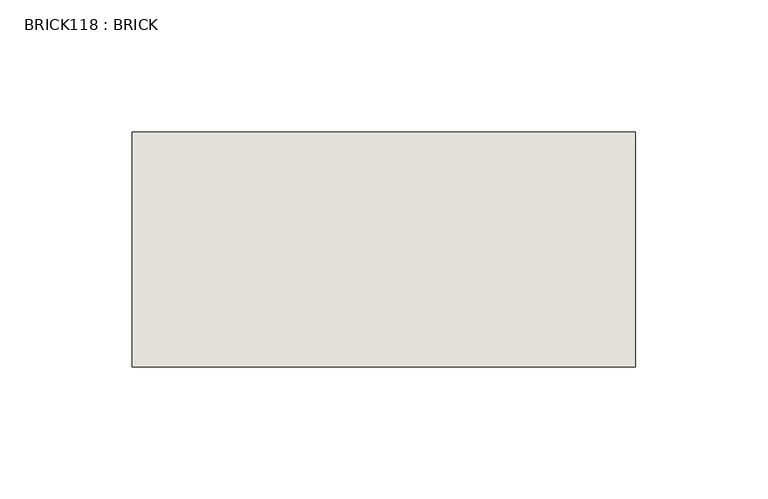
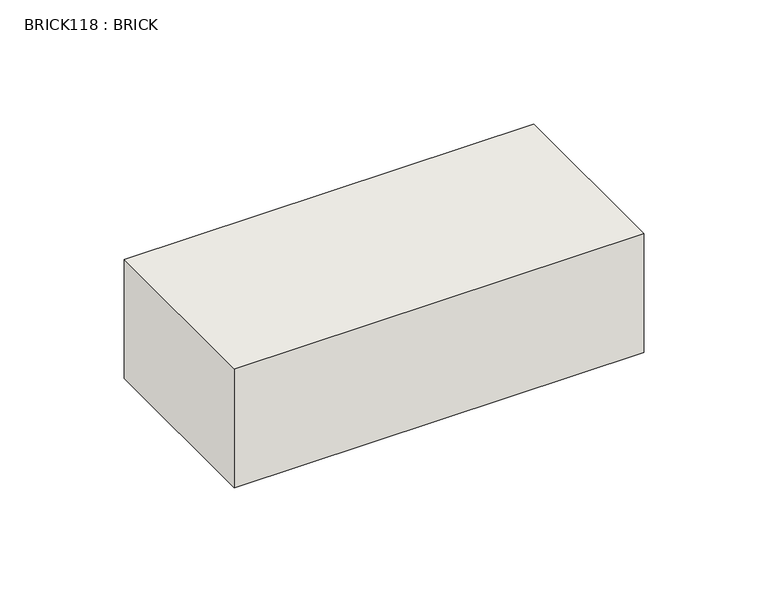
"""IFC4 building model written with IfcOpenShell, lengths in millimetres: wall geometry, BRICK118 : BRICK."""

import ifcopenshell
import ifcopenshell.guid

model = None  # the IFC model being written
_history = None  # IfcOwnerHistory: only IFC2X3 demands one
_inside = {}  # id of a spatial element -> (the spatial element, [elements in it])
_under = {}  # id of a project, library or spatial element -> (it, [spatial elements below it])
_declared = {}  # id of a project -> (the project, [libraries it declares])
_typed = {}  # id of a type object -> (the type object, [elements of that type])
_made_of = {}  # id of a material, layer set ... -> (it, [elements and type objects made of it])


def new_model(schema):
    """Start an empty IFC model of exactly this schema.

    Asked for "IFC4X3", IfcOpenShell would pick the latest addendum, in which some entities
    have other attributes; the version numbers below select the first issue.
    IFC2X3 requires an IfcOwnerHistory on every rooted entity: one is made here for all.
    """
    global model, _history
    if schema == "IFC4X3":
        model = ifcopenshell.file(schema_version=(4, 3, 0, 0))
    else:
        model = ifcopenshell.file(schema=schema)
    _inside.clear()
    _under.clear()
    _declared.clear()
    _typed.clear()
    _made_of.clear()
    _history = None
    if model.schema == "IFC2X3":
        org = make("IfcOrganization", Name="unknown")
        user = make(
            "IfcPersonAndOrganization",
            ThePerson=make("IfcPerson", FamilyName="unknown"),
            TheOrganization=org,
        )
        app = make(
            "IfcApplication",
            ApplicationDeveloper=org,
            Version="unknown",
            ApplicationFullName="unknown",
            ApplicationIdentifier="unknown",
        )
        _history = make(
            "IfcOwnerHistory",
            OwningUser=user,
            OwningApplication=app,
            ChangeAction="ADDED",
            CreationDate=0,
        )
    return model


def make(cls, **values):
    """One entity of the class cls with the attributes given. An attribute that is None is left unset."""
    return model.create_entity(
        cls, **{name: value for name, value in values.items() if value is not None}
    )


def rooted(cls, **values):
    """An entity with a GlobalId (a new one), such as an element, a storey or a relation."""
    return make(cls, GlobalId=ifcopenshell.guid.new(), OwnerHistory=_history, **values)


def si_unit(unit_type, name, prefix=None):
    """IfcSIUnit, for example si_unit("LENGTHUNIT", "METRE", prefix="MILLI")."""
    return make("IfcSIUnit", UnitType=unit_type, Prefix=prefix, Name=name)


def assignment(units):
    """IfcUnitAssignment: the units of a project."""
    return None if units is None else make("IfcUnitAssignment", Units=units)


def point(xyz):
    """IfcCartesianPoint."""
    return None if xyz is None else make("IfcCartesianPoint", Coordinates=xyz)


def direction(xyz):
    """IfcDirection."""
    return None if xyz is None else make("IfcDirection", DirectionRatios=xyz)


def frame(location, z_axis=None, x_axis=None):
    """IfcAxis2Placement3D, a coordinate frame: its origin and axes. An axis left out is left unset."""
    return make(
        "IfcAxis2Placement3D",
        Location=point(location),
        Axis=direction(z_axis),
        RefDirection=direction(x_axis),
    )


def origin():
    """The frame at (0, 0, 0) with its axes left unset."""
    return frame((0.0, 0.0, 0.0))


def place(relative_to, where):
    """IfcLocalPlacement: puts the frame where relative to a parent placement (None: the world)."""
    return make(
        "IfcLocalPlacement", PlacementRelTo=relative_to, RelativePlacement=where
    )


def context(
    kind, dimensions, precision=None, world=None, true_north=None, identifier=None
):
    """IfcGeometricRepresentationContext, for example the 3D "Model" context."""
    return make(
        "IfcGeometricRepresentationContext",
        ContextIdentifier=identifier,
        ContextType=kind,
        CoordinateSpaceDimension=dimensions,
        Precision=precision,
        WorldCoordinateSystem=world,
        TrueNorth=true_north,
    )


def project(units=None, contexts=None):
    """IfcProject with its units and contexts."""
    return rooted(
        "IfcProject",
        Name="project",
        RepresentationContexts=contexts,
        UnitsInContext=assignment(units),
    )


def spatial(cls, under=None, at=None, **own):
    """A site, building, storey or space (cls), placed at a placement, below another one or the project."""
    s = rooted(cls, ObjectPlacement=at, **own)
    if under is not None:
        _under.setdefault(under.id(), (under, []))[1].append(s)
    return s


def polyline(points):
    """IfcPolyline through the points."""
    return make("IfcPolyline", Points=[point(p) for p in points])


def outline(outer, holes=None, kind="AREA"):
    """IfcArbitraryClosedProfileDef: a profile drawn as a closed curve; with holes, ...WithVoids."""
    if holes is None:
        return make("IfcArbitraryClosedProfileDef", ProfileType=kind, OuterCurve=outer)
    return make(
        "IfcArbitraryProfileDefWithVoids",
        ProfileType=kind,
        OuterCurve=outer,
        InnerCurves=holes,
    )


def extrude(swept, where, along, depth):
    """IfcExtrudedAreaSolid: the profile swept, set in the frame where, extruded along a direction by depth."""
    return make(
        "IfcExtrudedAreaSolid",
        SweptArea=swept,
        Position=where,
        ExtrudedDirection=direction(along),
        Depth=depth,
    )


def shape(context_of_items, identifier, shape_type, items):
    """IfcShapeRepresentation: the items that make up one representation, for example the "Body"."""
    return make(
        "IfcShapeRepresentation",
        ContextOfItems=context_of_items,
        RepresentationIdentifier=identifier,
        RepresentationType=shape_type,
        Items=items,
    )


def source(mapping_origin, context_of_items, identifier, shape_type, items):
    """IfcRepresentationMap: a shape defined once, which mapped items show again and again."""
    return make(
        "IfcRepresentationMap",
        MappingOrigin=mapping_origin,
        MappedRepresentation=shape(context_of_items, identifier, shape_type, items),
    )


def transform(
    local_origin,
    x_axis=None,
    y_axis=None,
    z_axis=None,
    scale=None,
    scale2=None,
    scale3=None,
    uniform=True,
):
    """IfcCartesianTransformationOperator3D, or its non-uniform kind. x_axis, y_axis, z_axis: its Axis1, 2, 3."""
    if uniform:
        return make(
            "IfcCartesianTransformationOperator3D",
            Axis1=direction(x_axis),
            Axis2=direction(y_axis),
            LocalOrigin=point(local_origin),
            Scale=scale,
            Axis3=direction(z_axis),
        )
    return make(
        "IfcCartesianTransformationOperator3DnonUniform",
        Axis1=direction(x_axis),
        Axis2=direction(y_axis),
        LocalOrigin=point(local_origin),
        Scale=scale,
        Axis3=direction(z_axis),
        Scale2=scale2,
        Scale3=scale3,
    )


def mapped(mapping_source, mapping_target):
    """IfcMappedItem: shows the shape of a source again, moved by a transform."""
    return make(
        "IfcMappedItem", MappingSource=mapping_source, MappingTarget=mapping_target
    )


def made_of(thing, what):
    """Note that an element or type object is made of a material, layer set ...; save() writes the relation."""
    if what is not None:
        _made_of.setdefault(what.id(), (what, []))[1].append(thing)
    return thing


def element(
    cls,
    number,
    at=None,
    inside=None,
    cuts=None,
    type_object=None,
    material=None,
    context=None,
    identifier="Body",
    shape_type=None,
    held_by="IfcProductDefinitionShape",
    body=None,
    shapes=None,
    **own,
):
    """One element of the class cls, such as IfcWall. Its Tag is "e" and its number.

    at: its placement. inside: the storey or other place that contains it. cuts: it is an
    opening in that element (IfcRelVoidsElement). A single representation is given by context,
    identifier, shape_type and body (its items); several are given by shapes. held_by: the class
    of the entity that holds the representations. save() writes the other relations.
    """
    e = rooted(cls, Tag="e%d" % number, ObjectPlacement=at, **own)
    if body is not None:
        shapes = [shape(context, identifier, shape_type, body)]
    if shapes is not None:
        e.Representation = make(held_by, Representations=shapes)
    if inside is not None:
        _inside.setdefault(inside.id(), (inside, []))[1].append(e)
    if cuts is not None:
        rooted(
            "IfcRelVoidsElement", RelatingBuildingElement=cuts, RelatedOpeningElement=e
        )
    if type_object is not None:
        _typed.setdefault(type_object.id(), (type_object, []))[1].append(e)
    return made_of(e, material)


def aggregate(whole, parts):
    """IfcRelAggregates: a whole, such as a stair, and the parts it consists of."""
    return rooted("IfcRelAggregates", RelatingObject=whole, RelatedObjects=parts)


def save(model, path):
    """Write the relations noted so far, then the file.

    IfcRelAggregates (storeys below a building ...), IfcRelContainedInSpatialStructure (elements
    in a storey), IfcRelDefinesByType, IfcRelAssociatesMaterial and IfcRelDeclares: one each for
    every whole, place, type object, material and project.
    """
    for whole, parts in _under.values():
        aggregate(whole, parts)
    for where, things in _inside.values():
        rooted(
            "IfcRelContainedInSpatialStructure",
            RelatedElements=things,
            RelatingStructure=where,
        )
    for kind, things in _typed.values():
        rooted("IfcRelDefinesByType", RelatedObjects=things, RelatingType=kind)
    for what, things in _made_of.values():
        rooted("IfcRelAssociatesMaterial", RelatedObjects=things, RelatingMaterial=what)
    for by, libraries in _declared.values():
        rooted("IfcRelDeclares", RelatingContext=by, RelatedDefinitions=libraries)
    model.write(path)


def brick118_brick_ae879058(model_context):
    return source(origin(), model_context, "Body", "SweptSolid", [
        extrude(outline(polyline([(732.1272594, 2586.2274125), (922.6272594, 2586.2274125), (922.6272594, 2497.3274125), (732.1272594, 2497.3274125), (732.1272594, 2586.2274125)])), frame((0.0, 0.0, 283.5671875), z_axis=(0.0, 0.0, 1.0), x_axis=(1.0, 0.0, 0.0)), (0.0, 0.0, 1.0), 58.4398437),
    ])


if __name__ == "__main__":
    model = new_model("IFC4")
    model_context = context("Model", 3, world=origin())
    ifc_project = project(units=[si_unit("LENGTHUNIT", "METRE", prefix="MILLI")], contexts=[model_context])
    site = spatial("IfcSite", under=ifc_project)
    building = spatial("IfcBuilding", under=site)
    placement = place(None, origin())
    brick118_brick_shape = brick118_brick_ae879058(model_context)
    element("IfcWall", 1, ObjectType="BRICK118 : BRICK", at=placement, inside=building, context=model_context, shape_type="MappedRepresentation", body=[
        mapped(brick118_brick_shape, transform((0.0, 0.0, 0.0), x_axis=(1.0, 0.0, 0.0), y_axis=(0.0, 1.0, 0.0), z_axis=(0.0, 0.0, 1.0))),
    ])
    save(model, "model.ifc")
